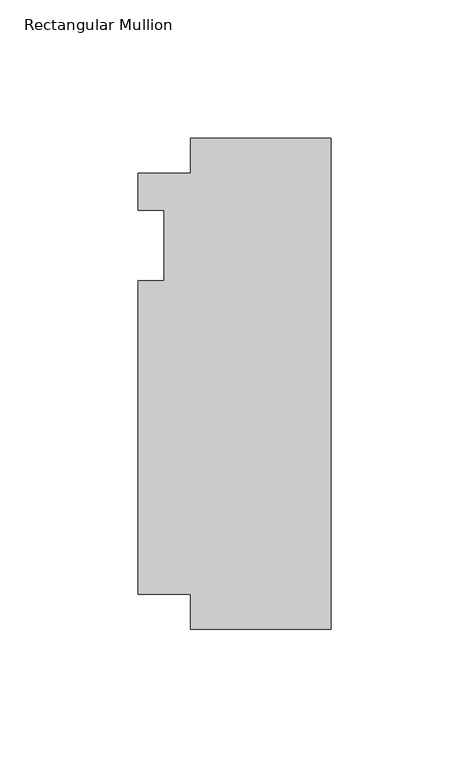
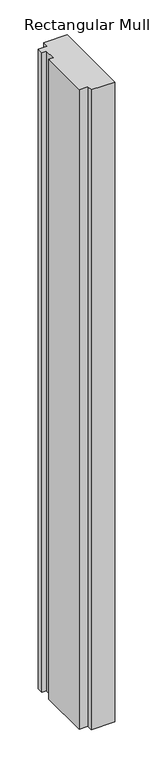
"""IFC4 building model written with IfcOpenShell, lengths in millimetres: member geometry, Rectangular Mullion."""

from ifc_helpers import new_model, si_unit, frame, origin, place, context, project, spatial, polyline, outline, extrude, source, transform, mapped, element, save


def rectangular_mullion_4e8dbd0c(model_context):
    return source(origin(), model_context, "Body", "SweptSolid", [
        extrude(outline(polyline([(-50.8, 26.19375), (-50.8, 38.8943162), (0.0, 38.8943162), (0.0, -138.90625), (-50.8, -138.90625), (-50.8, -126.20625), (-69.85, -126.20625), (-69.85, -12.7), (-60.325, -12.7), (-60.325, 12.7), (-69.85, 12.7), (-69.85, 26.19375), (-50.8, 26.19375)])), frame((0.0, 0.0, -1460.5), z_axis=(0.0, 0.0, 1.0), x_axis=(1.0, 0.0, 0.0)), (0.0, 0.0, 1.0), 1460.5),
    ])


if __name__ == "__main__":
    model = new_model("IFC4")
    model_context = context("Model", 3, world=origin())
    ifc_project = project(units=[si_unit("LENGTHUNIT", "METRE", prefix="MILLI")], contexts=[model_context])
    site = spatial("IfcSite", under=ifc_project)
    building = spatial("IfcBuilding", under=site)
    placement = place(None, origin())
    rectangular_mullion_shape = rectangular_mullion_4e8dbd0c(model_context)
    element("IfcMember", 1, ObjectType="Rectangular Mullion", at=placement, inside=building, context=model_context, shape_type="MappedRepresentation", body=[
        mapped(rectangular_mullion_shape, transform((0.0, 0.0, 0.0), x_axis=(1.0, 0.0, 0.0), y_axis=(0.0, 1.0, 0.0), z_axis=(0.0, 0.0, 1.0))),
    ])
    save(model, "model.ifc")
